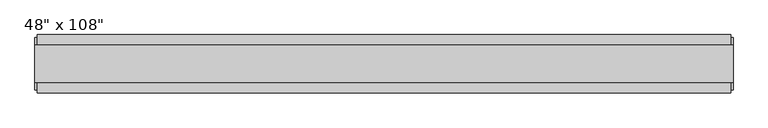
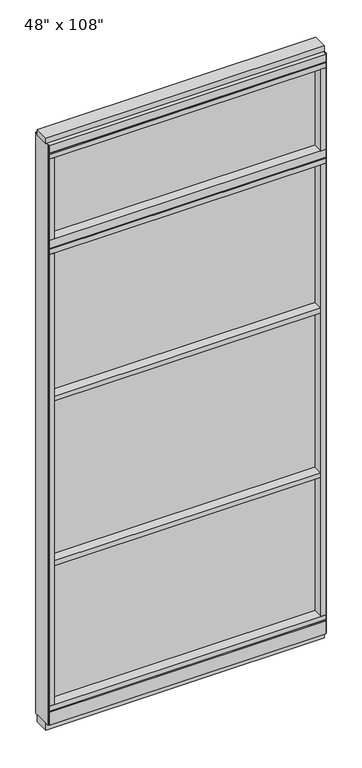
"""IFC4 building model written with IfcOpenShell, lengths in millimetres: furniture geometry."""

import ifcopenshell
import ifcopenshell.guid

model = None  # the IFC model being written
_history = None  # IfcOwnerHistory: only IFC2X3 demands one
_inside = {}  # id of a spatial element -> (the spatial element, [elements in it])
_under = {}  # id of a project, library or spatial element -> (it, [spatial elements below it])
_declared = {}  # id of a project -> (the project, [libraries it declares])
_typed = {}  # id of a type object -> (the type object, [elements of that type])
_made_of = {}  # id of a material, layer set ... -> (it, [elements and type objects made of it])


def new_model(schema):
    """Start an empty IFC model of exactly this schema.

    Asked for "IFC4X3", IfcOpenShell would pick the latest addendum, in which some entities
    have other attributes; the version numbers below select the first issue.
    IFC2X3 requires an IfcOwnerHistory on every rooted entity: one is made here for all.
    """
    global model, _history
    if schema == "IFC4X3":
        model = ifcopenshell.file(schema_version=(4, 3, 0, 0))
    else:
        model = ifcopenshell.file(schema=schema)
    _inside.clear()
    _under.clear()
    _declared.clear()
    _typed.clear()
    _made_of.clear()
    _history = None
    if model.schema == "IFC2X3":
        org = make("IfcOrganization", Name="unknown")
        user = make(
            "IfcPersonAndOrganization",
            ThePerson=make("IfcPerson", FamilyName="unknown"),
            TheOrganization=org,
        )
        app = make(
            "IfcApplication",
            ApplicationDeveloper=org,
            Version="unknown",
            ApplicationFullName="unknown",
            ApplicationIdentifier="unknown",
        )
        _history = make(
            "IfcOwnerHistory",
            OwningUser=user,
            OwningApplication=app,
            ChangeAction="ADDED",
            CreationDate=0,
        )
    return model


def make(cls, **values):
    """One entity of the class cls with the attributes given. An attribute that is None is left unset."""
    return model.create_entity(
        cls, **{name: value for name, value in values.items() if value is not None}
    )


def rooted(cls, **values):
    """An entity with a GlobalId (a new one), such as an element, a storey or a relation."""
    return make(cls, GlobalId=ifcopenshell.guid.new(), OwnerHistory=_history, **values)


def si_unit(unit_type, name, prefix=None):
    """IfcSIUnit, for example si_unit("LENGTHUNIT", "METRE", prefix="MILLI")."""
    return make("IfcSIUnit", UnitType=unit_type, Prefix=prefix, Name=name)


def assignment(units):
    """IfcUnitAssignment: the units of a project."""
    return None if units is None else make("IfcUnitAssignment", Units=units)


def point(xyz):
    """IfcCartesianPoint."""
    return None if xyz is None else make("IfcCartesianPoint", Coordinates=xyz)


def direction(xyz):
    """IfcDirection."""
    return None if xyz is None else make("IfcDirection", DirectionRatios=xyz)


def frame(location, z_axis=None, x_axis=None):
    """IfcAxis2Placement3D, a coordinate frame: its origin and axes. An axis left out is left unset."""
    return make(
        "IfcAxis2Placement3D",
        Location=point(location),
        Axis=direction(z_axis),
        RefDirection=direction(x_axis),
    )


def origin():
    """The frame at (0, 0, 0) with its axes left unset."""
    return frame((0.0, 0.0, 0.0))


def origin_with_axes():
    """The frame at (0, 0, 0) with the z axis (0, 0, 1) and the x axis (1, 0, 0) written out."""
    return frame((0.0, 0.0, 0.0), z_axis=(0.0, 0.0, 1.0), x_axis=(1.0, 0.0, 0.0))


def place(relative_to, where):
    """IfcLocalPlacement: puts the frame where relative to a parent placement (None: the world)."""
    return make(
        "IfcLocalPlacement", PlacementRelTo=relative_to, RelativePlacement=where
    )


def context(
    kind, dimensions, precision=None, world=None, true_north=None, identifier=None
):
    """IfcGeometricRepresentationContext, for example the 3D "Model" context."""
    return make(
        "IfcGeometricRepresentationContext",
        ContextIdentifier=identifier,
        ContextType=kind,
        CoordinateSpaceDimension=dimensions,
        Precision=precision,
        WorldCoordinateSystem=world,
        TrueNorth=true_north,
    )


def project(units=None, contexts=None):
    """IfcProject with its units and contexts."""
    return rooted(
        "IfcProject",
        Name="project",
        RepresentationContexts=contexts,
        UnitsInContext=assignment(units),
    )


def spatial(cls, under=None, at=None, **own):
    """A site, building, storey or space (cls), placed at a placement, below another one or the project."""
    s = rooted(cls, ObjectPlacement=at, **own)
    if under is not None:
        _under.setdefault(under.id(), (under, []))[1].append(s)
    return s


def polyline(points):
    """IfcPolyline through the points."""
    return make("IfcPolyline", Points=[point(p) for p in points])


def outline(outer, holes=None, kind="AREA"):
    """IfcArbitraryClosedProfileDef: a profile drawn as a closed curve; with holes, ...WithVoids."""
    if holes is None:
        return make("IfcArbitraryClosedProfileDef", ProfileType=kind, OuterCurve=outer)
    return make(
        "IfcArbitraryProfileDefWithVoids",
        ProfileType=kind,
        OuterCurve=outer,
        InnerCurves=holes,
    )


def extrude(swept, where, along, depth):
    """IfcExtrudedAreaSolid: the profile swept, set in the frame where, extruded along a direction by depth."""
    return make(
        "IfcExtrudedAreaSolid",
        SweptArea=swept,
        Position=where,
        ExtrudedDirection=direction(along),
        Depth=depth,
    )


def shape(context_of_items, identifier, shape_type, items):
    """IfcShapeRepresentation: the items that make up one representation, for example the "Body"."""
    return make(
        "IfcShapeRepresentation",
        ContextOfItems=context_of_items,
        RepresentationIdentifier=identifier,
        RepresentationType=shape_type,
        Items=items,
    )


def source(mapping_origin, context_of_items, identifier, shape_type, items):
    """IfcRepresentationMap: a shape defined once, which mapped items show again and again."""
    return make(
        "IfcRepresentationMap",
        MappingOrigin=mapping_origin,
        MappedRepresentation=shape(context_of_items, identifier, shape_type, items),
    )


def transform(
    local_origin,
    x_axis=None,
    y_axis=None,
    z_axis=None,
    scale=None,
    scale2=None,
    scale3=None,
    uniform=True,
):
    """IfcCartesianTransformationOperator3D, or its non-uniform kind. x_axis, y_axis, z_axis: its Axis1, 2, 3."""
    if uniform:
        return make(
            "IfcCartesianTransformationOperator3D",
            Axis1=direction(x_axis),
            Axis2=direction(y_axis),
            LocalOrigin=point(local_origin),
            Scale=scale,
            Axis3=direction(z_axis),
        )
    return make(
        "IfcCartesianTransformationOperator3DnonUniform",
        Axis1=direction(x_axis),
        Axis2=direction(y_axis),
        LocalOrigin=point(local_origin),
        Scale=scale,
        Axis3=direction(z_axis),
        Scale2=scale2,
        Scale3=scale3,
    )


def mapped(mapping_source, mapping_target):
    """IfcMappedItem: shows the shape of a source again, moved by a transform."""
    return make(
        "IfcMappedItem", MappingSource=mapping_source, MappingTarget=mapping_target
    )


def made_of(thing, what):
    """Note that an element or type object is made of a material, layer set ...; save() writes the relation."""
    if what is not None:
        _made_of.setdefault(what.id(), (what, []))[1].append(thing)
    return thing


def element(
    cls,
    number,
    at=None,
    inside=None,
    cuts=None,
    type_object=None,
    material=None,
    context=None,
    identifier="Body",
    shape_type=None,
    held_by="IfcProductDefinitionShape",
    body=None,
    shapes=None,
    **own,
):
    """One element of the class cls, such as IfcWall. Its Tag is "e" and its number.

    at: its placement. inside: the storey or other place that contains it. cuts: it is an
    opening in that element (IfcRelVoidsElement). A single representation is given by context,
    identifier, shape_type and body (its items); several are given by shapes. held_by: the class
    of the entity that holds the representations. save() writes the other relations.
    """
    e = rooted(cls, Tag="e%d" % number, ObjectPlacement=at, **own)
    if body is not None:
        shapes = [shape(context, identifier, shape_type, body)]
    if shapes is not None:
        e.Representation = make(held_by, Representations=shapes)
    if inside is not None:
        _inside.setdefault(inside.id(), (inside, []))[1].append(e)
    if cuts is not None:
        rooted(
            "IfcRelVoidsElement", RelatingBuildingElement=cuts, RelatedOpeningElement=e
        )
    if type_object is not None:
        _typed.setdefault(type_object.id(), (type_object, []))[1].append(e)
    return made_of(e, material)


def aggregate(whole, parts):
    """IfcRelAggregates: a whole, such as a stair, and the parts it consists of."""
    return rooted("IfcRelAggregates", RelatingObject=whole, RelatedObjects=parts)


def save(model, path):
    """Write the relations noted so far, then the file.

    IfcRelAggregates (storeys below a building ...), IfcRelContainedInSpatialStructure (elements
    in a storey), IfcRelDefinesByType, IfcRelAssociatesMaterial and IfcRelDeclares: one each for
    every whole, place, type object, material and project.
    """
    for whole, parts in _under.values():
        aggregate(whole, parts)
    for where, things in _inside.values():
        rooted(
            "IfcRelContainedInSpatialStructure",
            RelatedElements=things,
            RelatingStructure=where,
        )
    for kind, things in _typed.values():
        rooted("IfcRelDefinesByType", RelatedObjects=things, RelatingType=kind)
    for what, things in _made_of.values():
        rooted("IfcRelAssociatesMaterial", RelatedObjects=things, RelatingMaterial=what)
    for by, libraries in _declared.values():
        rooted("IfcRelDeclares", RelatingContext=by, RelatedDefinitions=libraries)
    model.write(path)


def furniture_495afb24(model_context):
    return source(origin(), model_context, "Body", "SweptSolid", [
        extrude(outline(polyline([(523.4014771, -9.5977216), (-643.4745229, -9.5977216), (-643.4745229, 0.5622784), (523.4014771, 0.5622784), (523.4014771, -9.5977216)])), frame((0.0, 0.0, 2276.475), z_axis=(0.0, 0.0, 1.0), x_axis=(1.0, 0.0, 0.0)), (0.0, 0.0, 1.0), 355.6),
        extrude(outline(polyline([(-643.4745229, -52.3332216), (-643.4745229, 43.2977784), (523.4014771, 43.2977784), (523.4014771, -52.3332216), (-643.4745229, -52.3332216)])), frame((0.0, 0.0, 1524.0), z_axis=(0.0, 0.0, 1.0), x_axis=(1.0, 0.0, 0.0)), (0.0, 0.0, 1.0), 22.225),
        extrude(outline(polyline([(-643.4745229, -52.3332216), (-643.4745229, 43.2977784), (523.4014771, 43.2977784), (523.4014771, -52.3332216), (-643.4745229, -52.3332216)])), frame((0.0, 0.0, 762.0), z_axis=(0.0, 0.0, 1.0), x_axis=(1.0, 0.0, 0.0)), (0.0, 0.0, 1.0), 22.225),
        extrude(outline(polyline([(523.4014771, -9.5977216), (-643.4745229, -9.5977216), (-643.4745229, 0.5622784), (523.4014771, 0.5622784), (523.4014771, -9.5977216)])), frame((0.0, 0.0, 120.523), z_axis=(0.0, 0.0, 1.0), x_axis=(1.0, 0.0, 0.0)), (0.0, 0.0, 1.0), 2114.677),
        extrude(outline(polyline([(523.4014771, -55.3177216), (523.4014771, 46.2822784), (545.6264771, 46.2822784), (545.6264771, -55.3177216), (523.4014771, -55.3177216)])), frame((0.0, 0.0, 2276.475), z_axis=(0.0, 0.0, 1.0), x_axis=(1.0, 0.0, 0.0)), (0.0, 0.0, 1.0), 377.825),
        extrude(outline(polyline([(-55.3177216, 2240.153), (-55.3177216, 2276.475), (46.2822784, 2276.475), (46.2822784, 2240.153), (41.3292784, 2240.153), (41.3292784, 2235.2), (-50.3647216, 2235.2), (-50.3647216, 2240.153), (-55.3177216, 2240.153)])), frame((-665.6995229, 0.0, 0.0), z_axis=(1.0, 0.0, 0.0), x_axis=(0.0, 1.0, 0.0)), (0.0, 0.0, 1.0), 1211.326),
        extrude(outline(polyline([(-643.4745229, -55.3177216), (-665.6995229, -55.3177216), (-665.6995229, 46.2822784), (-643.4745229, 46.2822784), (-643.4745229, -55.3177216)])), frame((0.0, 0.0, 2276.475), z_axis=(0.0, 0.0, 1.0), x_axis=(1.0, 0.0, 0.0)), (0.0, 0.0, 1.0), 377.825),
        extrude(outline(polyline([(-665.6995229, -55.3177216), (-665.6995229, 46.2822784), (545.6264771, 46.2822784), (545.6264771, -55.3177216), (-665.6995229, -55.3177216)])), frame((0.0, 0.0, 2212.975), z_axis=(0.0, 0.0, 1.0), x_axis=(1.0, 0.0, 0.0)), (0.0, 0.0, 1.0), 22.225),
        extrude(outline(polyline([(-55.3177216, 93.345), (-50.3647216, 93.345), (-50.3647216, 98.298), (41.3292784, 98.298), (41.3292784, 93.345), (46.2822784, 93.345), (46.2822784, 31.75), (-55.3177216, 31.75), (-55.3177216, 93.345)])), frame((-665.6995229, 0.0, 0.0), z_axis=(1.0, 0.0, 0.0), x_axis=(0.0, 1.0, 0.0)), (0.0, 0.0, 1.0), 1211.326),
        extrude(outline(polyline([(-665.6995229, -55.3177216), (-665.6995229, 46.2822784), (545.6264771, 46.2822784), (545.6264771, -55.3177216), (-665.6995229, -55.3177216)])), frame((0.0, 0.0, 98.298), z_axis=(0.0, 0.0, 1.0), x_axis=(1.0, 0.0, 0.0)), (0.0, 0.0, 1.0), 22.225),
        extrude(outline(polyline([(549.5634771, 27.9942784), (549.5634771, -37.0297216), (-669.6365229, -37.0297216), (-669.6365229, 27.9942784), (549.5634771, 27.9942784)])), origin_with_axes(), (0.0, 0.0, 1.0), 31.75),
        extrude(outline(polyline([(-669.6365229, -37.0297216), (-669.6365229, 27.9942784), (549.5634771, 27.9942784), (549.5634771, -37.0297216), (-669.6365229, -37.0297216)])), frame((0.0, 0.0, 2717.8), z_axis=(0.0, 0.0, 1.0), x_axis=(1.0, 0.0, 0.0)), (0.0, 0.0, 1.0), 25.4),
        extrude(outline(polyline([(-55.3177216, 2681.478), (-55.3177216, 2717.8), (46.2822784, 2717.8), (46.2822784, 2681.478), (41.3292784, 2681.478), (41.3292784, 2676.525), (-50.3647216, 2676.525), (-50.3647216, 2681.478), (-55.3177216, 2681.478)])), frame((-665.6995229, 0.0, 0.0), z_axis=(1.0, 0.0, 0.0), x_axis=(0.0, 1.0, 0.0)), (0.0, 0.0, 1.0), 1211.326),
        extrude(outline(polyline([(545.6264771, 46.2822784), (545.6264771, -55.3177216), (-665.6995229, -55.3177216), (-665.6995229, 46.2822784), (545.6264771, 46.2822784)])), frame((0.0, 0.0, 2654.3), z_axis=(0.0, 0.0, 1.0), x_axis=(1.0, 0.0, 0.0)), (0.0, 0.0, 1.0), 22.225),
        extrude(outline(polyline([(523.4014771, -55.3177216), (523.4014771, 46.2822784), (545.6264771, 46.2822784), (545.6264771, -55.3177216), (523.4014771, -55.3177216)])), frame((0.0, 0.0, 120.523), z_axis=(0.0, 0.0, 1.0), x_axis=(1.0, 0.0, 0.0)), (0.0, 0.0, 1.0), 2092.452),
        extrude(outline(polyline([(-643.4745229, -55.3177216), (-665.6995229, -55.3177216), (-665.6995229, 46.2822784), (-643.4745229, 46.2822784), (-643.4745229, -55.3177216)])), frame((0.0, 0.0, 120.523), z_axis=(0.0, 0.0, 1.0), x_axis=(1.0, 0.0, 0.0)), (0.0, 0.0, 1.0), 2092.452),
        extrude(outline(polyline([(549.5634771, -50.3647216), (545.6264771, -50.3647216), (545.6264771, 41.3292784), (549.5634771, 41.3292784), (549.5634771, -50.3647216)])), frame((0.0, 0.0, 31.75), z_axis=(0.0, 0.0, 1.0), x_axis=(1.0, 0.0, 0.0)), (0.0, 0.0, 1.0), 2686.05),
        extrude(outline(polyline([(-669.6365229, -50.3647216), (-669.6365229, 41.3292784), (-665.6995229, 41.3292784), (-665.6995229, -50.3647216), (-669.6365229, -50.3647216)])), frame((0.0, 0.0, 31.75), z_axis=(0.0, 0.0, 1.0), x_axis=(1.0, 0.0, 0.0)), (0.0, 0.0, 1.0), 2686.05),
    ])


if __name__ == "__main__":
    model = new_model("IFC4")
    model_context = context("Model", 3, world=origin())
    ifc_project = project(units=[si_unit("LENGTHUNIT", "METRE", prefix="MILLI")], contexts=[model_context])
    site = spatial("IfcSite", under=ifc_project)
    building = spatial("IfcBuilding", under=site)
    placement = place(None, origin())
    furniture_shape = furniture_495afb24(model_context)
    element("IfcFurniture", 1, ObjectType="48\" x 108\"", at=placement, inside=building, context=model_context, shape_type="MappedRepresentation", body=[
        mapped(furniture_shape, transform((0.0, 0.0, 0.0), x_axis=(1.0, 0.0, 0.0), y_axis=(0.0, 1.0, 0.0), z_axis=(0.0, 0.0, 1.0))),
    ])
    save(model, "model.ifc")
